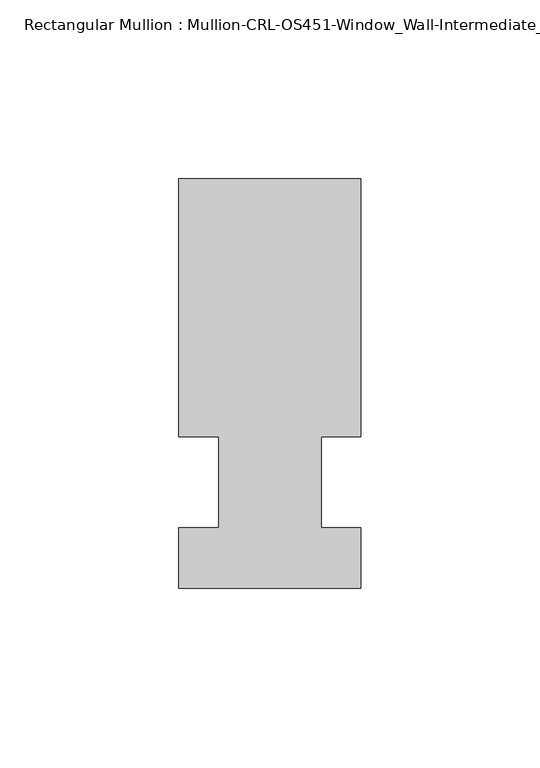
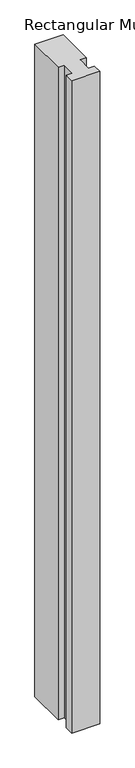
"""IFC4 building model written with IfcOpenShell, lengths in millimetres: member geometry, Rectangular Mullion : Mullion-CRL-OS451-Window_Wall-Intermediate_Horizontal-int."""

from ifc_helpers import new_model, si_unit, frame, origin, place, context, project, spatial, polyline, outline, extrude, source, transform, mapped, element, save


def rectangular_mullion_mullion_crl_os451_window_wall_5e68122c(model_context):
    return source(origin(), model_context, "Body", "SweptSolid", [
        extrude(outline(polyline([(-25.4, -12.7), (-14.2786274, -12.7), (-14.2786274, 12.7), (-25.4, 12.7), (-25.4, 84.7104821), (25.4, 84.7104821), (25.4, 12.7), (14.3002899, 12.7), (14.3002899, -12.7), (25.4, -12.7), (25.4, -29.6013756), (-25.4, -29.6013756), (-25.4, -12.7)])), frame((0.0, 0.0, -1239.3083332), z_axis=(0.0, 0.0, 1.0), x_axis=(1.0, 0.0, 0.0)), (0.0, 0.0, 1.0), 1239.3083332),
    ])


if __name__ == "__main__":
    model = new_model("IFC4")
    model_context = context("Model", 3, world=origin())
    ifc_project = project(units=[si_unit("LENGTHUNIT", "METRE", prefix="MILLI")], contexts=[model_context])
    site = spatial("IfcSite", under=ifc_project)
    building = spatial("IfcBuilding", under=site)
    placement = place(None, origin())
    rectangular_mullion_mullion_crl_os451_window_wall_shape = rectangular_mullion_mullion_crl_os451_window_wall_5e68122c(model_context)
    element("IfcMember", 1, ObjectType="Rectangular Mullion : Mullion-CRL-OS451-Window_Wall-Intermediate_Horizontal-int", at=placement, inside=building, context=model_context, shape_type="MappedRepresentation", body=[
        mapped(rectangular_mullion_mullion_crl_os451_window_wall_shape, transform((0.0, 0.0, 0.0), x_axis=(1.0, 0.0, 0.0), y_axis=(0.0, 1.0, 0.0), z_axis=(0.0, 0.0, 1.0))),
    ])
    save(model, "model.ifc")
